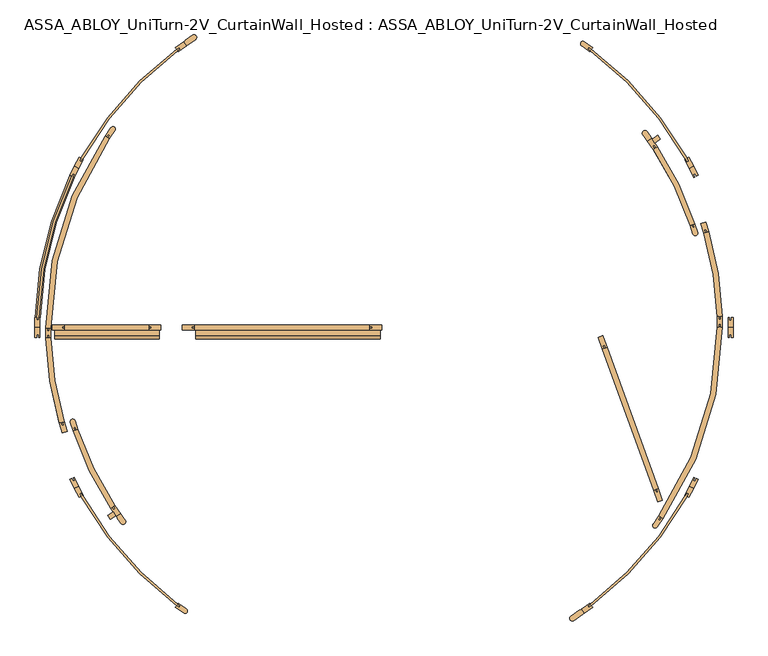
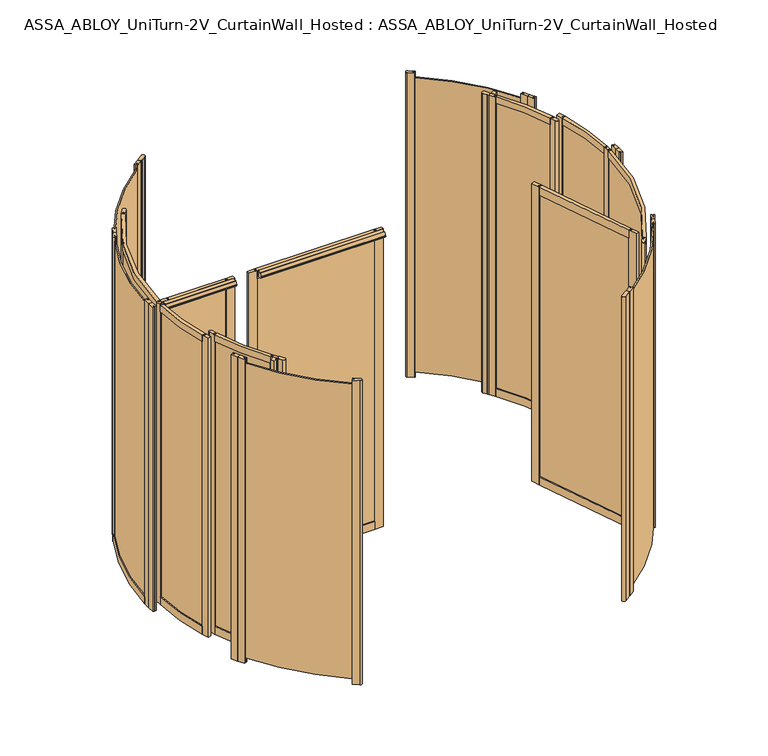
"""IFC4 building model written with IfcOpenShell, lengths in millimetres: door geometry, ASSA_ABLOY_UniTurn-2V_CurtainWall_Hosted : ASSA_ABLOY_UniTurn-2V_CurtainWall_Hosted."""

from ifc_helpers import new_model, si_unit, point, frame, frame_2d, origin, origin_with_axes, origin_2d, place, context, project, spatial, polyline, circle_curve, trimmed, segment, composite_curve, outline, extrude, source, transform, mapped, element, save
from ifc_brep_helpers import plane_surface, cylinder_surface, revolved_surface, advanced_brep


def assa_abloy_uniturn_2v_curtainwall_hosted_assa_abloy_uniturn_3d827009(model_context):
    return source(origin(), model_context, "Body", "SolidModel", [
        advanced_brep(
        [(-1825.2306704, 53.0, 56.0), (-1825.2306704, 53.0, 0.0), (-1799.2416247, 52.245345, 0.0), (-1799.2416247, 52.245345, 56.0), (-1804.2395181, 52.390471, 56.0), (-1804.2395181, 52.390471, 41.0), (-1814.2353049, 52.6807229, 41.0), (-1814.2353049, 52.6807229, 56.0), (-1643.4720542, 795.7861567, 56.0), (-1633.5716201, 790.9922642, 56.0), (-1633.5716201, 790.9922642, 41.0), (-1624.5712255, 786.6341801, 41.0), (-1624.5712255, 786.6341801, 56.0), (-1620.0710282, 784.4551381, 56.0), (-1620.0710282, 784.4551381, 0.0), (-1643.4720542, 795.7861567, 0.0)],
        [
            (0, 1),
            (1, 2),
            (2, 3),
            (3, 4),
            (4, 5),
            (5, 6),
            (6, 7),
            (7, 0),
            (8, 9),
            (9, 10),
            (10, 11),
            (11, 12),
            (12, 13),
            (13, 14),
            (14, 15),
            (15, 8),
            (15, 1, circle_curve(frame((0.0, 0.0, 0.0), z_axis=(0.0, 0.0, 1.0), x_axis=(-0.9995786803689732, 0.029025191675892625, 0.0)), 1826.0)),
            (0, 8, circle_curve(frame((0.0, 0.0, 56.0), z_axis=(0.0, 0.0, -1.0), x_axis=(-0.9995786803689732, 0.029025191675892625, 0.0)), 1826.0)),
            (14, 2, circle_curve(frame((0.0, 0.0, 0.0), z_axis=(0.0, 0.0, 1.0), x_axis=(-0.9995786803689732, 0.029025191675892625, 0.0)), 1800.0)),
            (13, 3, circle_curve(frame((0.0, 0.0, 56.0), z_axis=(0.0, 0.0, 1.0), x_axis=(-0.9995786803689732, 0.029025191675892625, 0.0)), 1800.0)),
            (12, 4, circle_curve(frame((0.0, 0.0, 56.0), z_axis=(0.0, 0.0, 1.0), x_axis=(-0.9995786803689732, 0.029025191675892625, 0.0)), 1805.0)),
            (11, 5, circle_curve(frame((0.0, 0.0, 41.0), z_axis=(0.0, 0.0, 1.0), x_axis=(-0.9995786803689732, 0.029025191675892625, 0.0)), 1805.0)),
            (10, 6, circle_curve(frame((0.0, 0.0, 41.0), z_axis=(0.0, 0.0, 1.0), x_axis=(-0.9995786803689732, 0.029025191675892625, 0.0)), 1815.0)),
            (9, 7, circle_curve(frame((0.0, 0.0, 56.0), z_axis=(0.0, 0.0, 1.0), x_axis=(-0.9995786803689732, 0.029025191675892625, 0.0)), 1815.0)),
        ],
        [
            plane_surface(frame((-1825.2306704, 53.0, 0.0), z_axis=(-0.02902519167589263, -0.9995786803689732, 0.0), x_axis=(0.0, 0.0, 1.0))),
            plane_surface(frame((-1643.4720542, 795.7861567, 0.0), z_axis=(0.43580841002827103, 0.9000394601064059, 0.0), x_axis=(0.0, 0.0, 1.0))),
            cylinder_surface(frame((0.0, 0.0, 0.0), z_axis=(0.0, 0.0, -1.0000000000000002), x_axis=(-0.9995786803689732, 0.029025191675892625, 0.0)), 1826.0),
            plane_surface(frame((0.0, 0.0, 0.0), z_axis=(0.0, 0.0, -1.0000000000000002), x_axis=(-0.9995786803689732, 0.029025191675892625, 0.0))),
            revolved_surface(polyline([(-1799.241624664152, 52.24534501660673, 0.0), (-1799.241624664152, 52.24534501660673, 56.00000000000003)]), (0.0, 0.0, 0.0), (0.0, 0.0, -1.0000000000000002)),
            plane_surface(frame((0.0, 0.0, 56.0), z_axis=(0.0, 0.0, 1.0000000000000002), x_axis=(-0.9995786803689732, 0.029025191675892625, 0.0))),
            cylinder_surface(frame((0.0, 0.0, 0.0), z_axis=(0.0, 0.0, -1.0000000000000002), x_axis=(-0.9995786803689732, 0.029025191675892625, 0.0)), 1805.0),
            plane_surface(frame((0.0, 0.0, 41.0), z_axis=(0.0, 0.0, 1.0000000000000002), x_axis=(-0.9995786803689732, 0.029025191675892625, 0.0))),
            revolved_surface(polyline([(-1814.2353048696864, 52.68072289174511, 41.000000000000014), (-1814.2353048696864, 52.68072289174511, 56.00000000000003)]), (0.0, 0.0, 0.0), (0.0, 0.0, -1.0000000000000002)),
        ],
        [
            (0, [[1, 2, 3, 4, 5, 6, 7, 8]]),
            (1, [[9, 10, 11, 12, 13, 14, 15, 16]]),
            (2, [[17, -1, 18, -16]]),
            (3, [[19, -2, -17, -15]]),
            (4, [[20, -3, -19, -14]]),
            (5, [[21, -4, -20, -13]]),
            (6, [[22, -5, -21, -12]]),
            (7, [[23, -6, -22, -11]]),
            (8, [[24, -7, -23, -10]]),
            (5, [[-18, -8, -24, -9]]),
        ],
    ),
        extrude(outline(composite_curve([segment(polyline([(-1032.4375854, 1474.4736797), (-1047.3505728, 1495.7716329), (-1038.9952219, 1501.6221125), (-1039.5687984, 1502.4412646), (-1002.0516347, 1528.7110654)]), True, "CONTINUOUS"), segment(trimmed(circle_curve(frame_2d((-994.0215646, 1517.2429367)), 14.0), [point((-1002.0516347, 1528.7110654))], [point((-985.9914945, 1505.7748081))], False, "CARTESIAN"), True, "CONTINUOUS"), segment(polyline([(-985.9914945, 1505.7748081), (-1023.5086581, 1479.5050073), (-1024.0822346, 1480.3241594), (-1032.4375854, 1474.4736797)]), True, "CONTINUOUS")], self_intersect=False)), origin_with_axes(), (0.0, 0.0, 1.0), 2500.0),
        extrude(outline(composite_curve([segment(polyline([(1047.3505728, -1495.7716329), (1038.9952219, -1501.6221125), (1039.5687984, -1502.4412646), (993.6962839, -1534.561545)]), True, "CONTINUOUS"), segment(trimmed(circle_curve(frame_2d((985.6662138, -1523.0934164)), 14.0), [point((993.6962839, -1534.561545))], [point((977.6361437, -1511.6252878))], False, "CARTESIAN"), True, "CONTINUOUS"), segment(polyline([(977.6361437, -1511.6252878), (1023.5086581, -1479.5050073), (1024.0822346, -1480.3241594), (1032.4375854, -1474.4736797), (1047.3505728, -1495.7716329)]), True, "CONTINUOUS")], self_intersect=False)), origin_with_axes(), (0.0, 0.0, 1.0), 2500.0),
        extrude(outline(composite_curve([segment(polyline([(1576.7592796, -880.5601708), (1584.1472574, -866.3679974), (1593.0173657, -870.9854836), (1585.6293879, -885.1776569)]), True, "CONTINUOUS"), segment(trimmed(circle_curve(origin_2d(), 1815.9735791), [point((1585.6293879, -885.1776569))], [point((1084.5710056, -1456.5252397))], False, "CARTESIAN"), True, "CONTINUOUS"), segment(polyline([(1084.5710056, -1456.5252397), (1071.4645729, -1465.7024626), (1065.7288085, -1457.5109422), (1078.8352412, -1448.3337192)]), True, "CONTINUOUS"), segment(trimmed(circle_curve(origin_2d(), 1805.9778625), [point((1078.8352412, -1448.3337192))], [point((1576.7592796, -880.5601708))], True, "CARTESIAN"), True, "CONTINUOUS")], self_intersect=False)), frame((0.0, 0.0, 41.0), z_axis=(0.0, 0.0, 1.0), x_axis=(1.0, 0.0, 0.0)), (0.0, 0.0, 1.0), 2421.0),
        extrude(outline(composite_curve([segment(trimmed(circle_curve(origin_2d(), 1815.9651017), [point((1084.3324154, 1456.6923023))], [point((1585.763879, 884.9193018))], False, "CARTESIAN"), True, "CONTINUOUS"), segment(polyline([(1585.763879, 884.9193018), (1593.0173657, 870.9854836), (1584.1472574, 866.3679974), (1576.7592796, 880.5601708)]), True, "CONTINUOUS"), segment(trimmed(circle_curve(origin_2d(), 1805.9778625), [point((1576.7592796, 880.5601708))], [point((1078.8352412, 1448.3337192))], True, "CARTESIAN"), True, "CONTINUOUS"), segment(polyline([(1078.8352412, 1448.3337192), (1065.7288085, 1457.5109422), (1071.4645729, 1465.7024626), (1084.3324154, 1456.6923023)]), True, "CONTINUOUS")], self_intersect=False)), frame((0.0, 0.0, 41.0), z_axis=(0.0, 0.0, 1.0), x_axis=(1.0, 0.0, 0.0)), (0.0, 0.0, 1.0), 2421.0),
        extrude(outline(polyline([(1047.3505728, -1495.7716329), (1032.4375854, -1474.4736797), (1075.8526438, -1444.0741286), (1078.8352412, -1448.3337192), (1065.7288085, -1457.5109422), (1071.4645729, -1465.7024626), (1084.5710056, -1456.5252397), (1090.7656311, -1465.3720817), (1047.3505728, -1495.7716329)])), origin_with_axes(), (0.0, 0.0, 1.0), 2500.0),
        extrude(outline(polyline([(1619.6817814, -843.1529678), (1595.2091049, -890.1645419), (1585.6293879, -885.1776569), (1593.0173657, -870.9854836), (1584.1472574, -866.3679974), (1576.7592796, -880.5601708), (1572.1468232, -878.159078), (1596.6194997, -831.1475038), (1619.6817814, -843.1529678)])), origin_with_axes(), (0.0, 0.0, 1.0), 2500.0),
        extrude(outline(polyline([(1619.6817814, -843.1529678), (1596.6194997, -831.1475038), (1621.0921762, -784.1359297), (1625.7046326, -786.5370225), (1618.3166547, -800.7291958), (1627.1867631, -805.3466819), (1634.5747409, -791.1545086), (1644.1544579, -796.1413936), (1619.6817814, -843.1529678)])), origin_with_axes(), (0.0, 0.0, 1.0), 2500.0),
        extrude(outline(composite_curve([segment(polyline([(1090.7656311, 1465.3720817), (1084.5710056, 1456.5252397), (1071.4645729, 1465.7024626), (1065.7288085, 1457.5109422), (1078.8352412, 1448.3337192), (1075.8526438, 1444.0741286), (1033.4205679, 1473.785388)]), True, "CONTINUOUS"), segment(trimmed(circle_curve(frame_2d((1040.8770616, 1484.4343646)), 13.0), [point((1033.4205679, 1473.785388))], [point((1048.3335552, 1495.0833411))], False, "CARTESIAN"), True, "CONTINUOUS"), segment(polyline([(1048.3335552, 1495.0833411), (1090.7656311, 1465.3720817)]), True, "CONTINUOUS")], self_intersect=False)), origin_with_axes(), (0.0, 0.0, 1.0), 2500.0),
        extrude(outline(polyline([(1619.6817814, 843.1529678), (1644.1544579, 796.1413936), (1634.5747409, 791.1545086), (1627.1867631, 805.3466819), (1618.3166547, 800.7291958), (1625.7046326, 786.5370225), (1621.0921762, 784.1359297), (1596.6194997, 831.1475038), (1619.6817814, 843.1529678)])), origin_with_axes(), (0.0, 0.0, 1.0), 2500.0),
        extrude(outline(polyline([(1619.6817814, 843.1529678), (1596.6194997, 831.1475038), (1572.1468232, 878.159078), (1576.7592796, 880.5601708), (1584.1472574, 866.3679974), (1593.0173657, 870.9854836), (1585.6293879, 885.1776569), (1595.2091049, 890.1645419), (1619.6817814, 843.1529678)])), origin_with_axes(), (0.0, 0.0, 1.0), 2500.0),
        extrude(outline(polyline([(1826.0, 0.0), (1826.0, -53.0), (1815.2, -53.0), (1815.2, -37.0), (1805.2, -37.0), (1805.2, -53.0), (1800.0, -53.0), (1800.0, 0.0), (1826.0, 0.0)])), origin_with_axes(), (0.0, 0.0, 1.0), 2500.0),
        extrude(outline(polyline([(1826.0, 0.0), (1800.0, 0.0), (1800.0, 53.0), (1805.2, 53.0), (1805.2, 37.0), (1815.2, 37.0), (1815.2, 53.0), (1826.0, 53.0), (1826.0, 0.0)])), origin_with_axes(), (0.0, 0.0, 1.0), 2500.0),
        extrude(outline(composite_curve([segment(polyline([(-1078.8352412, -1448.3337192), (-1066.5479606, -1456.9373658), (-1072.2837249, -1465.1288862), (-1084.5710056, -1456.5252397)]), True, "CONTINUOUS"), segment(trimmed(circle_curve(origin_2d(), 1815.9735791), [point((-1084.5710056, -1456.5252397))], [point((-1585.6293879, -885.1776569))], False, "CARTESIAN"), True, "CONTINUOUS"), segment(polyline([(-1585.6293879, -885.1776569), (-1592.5556171, -871.8724944), (-1583.6855088, -867.2550083), (-1576.7592795, -880.5601708)]), True, "CONTINUOUS"), segment(trimmed(circle_curve(origin_2d(), 1805.9778625), [point((-1576.7592795, -880.5601708))], [point((-1078.8352412, -1448.3337192))], True, "CARTESIAN"), True, "CONTINUOUS")], self_intersect=False)), frame((0.0, 0.0, 41.0), z_axis=(0.0, 0.0, 1.0), x_axis=(1.0, 0.0, 0.0)), (0.0, 0.0, 1.0), 2421.0),
        extrude(outline(composite_curve([segment(trimmed(circle_curve(origin_2d(), 1805.9778625), [point((-1078.8352412, 1448.3337192))], [point((-1576.7592796, 880.5601708))], True, "CARTESIAN"), True, "CONTINUOUS"), segment(polyline([(-1576.7592796, 880.5601708), (-1583.6855088, 867.2550083), (-1592.5556171, 871.8724944), (-1585.6293879, 885.1776569)]), True, "CONTINUOUS"), segment(trimmed(circle_curve(origin_2d(), 1815.9735791), [point((-1585.6293879, 885.1776569))], [point((-1084.5710056, 1456.5252397))], False, "CARTESIAN"), True, "CONTINUOUS"), segment(polyline([(-1084.5710056, 1456.5252397), (-1072.2837249, 1465.1288862), (-1066.5479606, 1456.9373658), (-1078.8352412, 1448.3337192)]), True, "CONTINUOUS")], self_intersect=False)), frame((0.0, 0.0, 41.0), z_axis=(0.0, 0.0, 1.0), x_axis=(1.0, 0.0, 0.0)), (0.0, 0.0, 1.0), 2421.0),
        extrude(outline(composite_curve([segment(trimmed(circle_curve(origin_2d(), 1805.9778625), [point((-1625.7046326, 786.5370225))], [point((-1805.2, 53.0))], True, "CARTESIAN"), True, "CONTINUOUS"), segment(polyline([(-1805.2, 53.0), (-1805.2, 38.0), (-1815.2, 38.0), (-1815.2, 53.0)]), True, "CONTINUOUS"), segment(trimmed(circle_curve(origin_2d(), 1815.9735791), [point((-1815.2, 53.0))], [point((-1634.5747409, 791.1545086))], False, "CARTESIAN"), True, "CONTINUOUS"), segment(polyline([(-1634.5747409, 791.1545086), (-1627.6485117, 804.4596711), (-1618.7784034, 799.842185), (-1625.7046326, 786.5370225)]), True, "CONTINUOUS")], self_intersect=False)), frame((0.0, 0.0, 41.0), z_axis=(0.0, 0.0, 1.0), x_axis=(1.0, 0.0, 0.0)), (0.0, 0.0, 1.0), 2421.0),
        extrude(outline(polyline([(-1619.6773084, -843.1615602), (-1596.6150268, -831.1560963), (-1572.1468232, -878.159078), (-1576.7592796, -880.5601708), (-1583.6855088, -867.2550083), (-1592.5556171, -871.8724944), (-1585.6293879, -885.1776569), (-1595.2091049, -890.1645419), (-1619.6773084, -843.1615602)])), origin_with_axes(), (0.0, 0.0, 1.0), 2500.0),
        extrude(outline(polyline([(-1619.6817814, -843.1529678), (-1644.1544579, -796.1413936), (-1634.5747409, -791.1545086), (-1627.6485117, -804.4596711), (-1618.7784034, -799.842185), (-1625.7046326, -786.5370225), (-1621.0921762, -784.1359297), (-1596.6194997, -831.1475038), (-1619.6817814, -843.1529678)])), origin_with_axes(), (0.0, 0.0, 1.0), 2500.0),
        extrude(outline(composite_curve([segment(polyline([(-1090.7656311, -1465.3720817), (-1084.5710056, -1456.5252397), (-1072.2837249, -1465.1288862), (-1066.5479606, -1456.9373658), (-1078.8352412, -1448.3337192), (-1075.8526438, -1444.0741286), (-1033.4205679, -1473.785388)]), True, "CONTINUOUS"), segment(trimmed(circle_curve(frame_2d((-1040.8770616, -1484.4343646)), 13.0), [point((-1033.4205679, -1473.785388))], [point((-1048.3335552, -1495.0833411))], False, "CARTESIAN"), True, "CONTINUOUS"), segment(polyline([(-1048.3335552, -1495.0833411), (-1090.7656311, -1465.3720817)]), True, "CONTINUOUS")], self_intersect=False)), origin_with_axes(), (0.0, 0.0, 1.0), 2500.0),
        extrude(outline(polyline([(-1047.3505728, 1495.7716329), (-1032.4375854, 1474.4736797), (-1075.8526438, 1444.0741286), (-1078.8352412, 1448.3337192), (-1066.5479606, 1456.9373658), (-1072.2837249, 1465.1288862), (-1084.5710056, 1456.5252397), (-1090.7656311, 1465.3720817), (-1047.3505728, 1495.7716329)])), origin_with_axes(), (0.0, 0.0, 1.0), 2500.0),
        extrude(outline(polyline([(-1619.6817814, 843.1529678), (-1596.6194997, 831.1475038), (-1621.0921762, 784.1359297), (-1625.7046326, 786.5370225), (-1618.7784034, 799.842185), (-1627.6485117, 804.4596711), (-1634.5747409, 791.1545086), (-1644.1544579, 796.1413936), (-1619.6817814, 843.1529678)])), origin_with_axes(), (0.0, 0.0, 1.0), 2500.0),
        extrude(outline(polyline([(-1619.6817814, 843.1529678), (-1595.2091049, 890.1645419), (-1585.6293879, 885.1776569), (-1592.5556171, 871.8724944), (-1583.6855088, 867.2550083), (-1576.7592796, 880.5601708), (-1572.1468232, 878.159078), (-1596.6194997, 831.1475038), (-1619.6817814, 843.1529678)])), origin_with_axes(), (0.0, 0.0, 1.0), 2500.0),
        extrude(outline(polyline([(-1826.0, 0.0), (-1800.0, 0.0), (-1800.0, -53.0), (-1805.2, -53.0), (-1805.2, -38.0), (-1815.2, -38.0), (-1815.2, -53.0), (-1826.0, -53.0), (-1826.0, 0.0)])), origin_with_axes(), (0.0, 0.0, 1.0), 2500.0),
        extrude(outline(polyline([(-1825.8261964, 0.0), (-1825.8261964, 53.0), (-1815.2, 53.0), (-1815.2, 38.0), (-1805.2, 38.0), (-1805.2, 53.0), (-1800.0, 53.0), (-1800.0, 0.0), (-1825.8261964, 0.0)])), origin_with_axes(), (0.0, 0.0, 1.0), 2500.0),
        extrude(outline(composite_curve([segment(trimmed(circle_curve(origin_2d(), 1770.0), [point((-1769.997187, -3.1556429))], [point((-1458.8407002, 1002.3391699))], False, "CARTESIAN"), True, "CONTINUOUS"), segment(polyline([(-1458.8407002, 1002.3391699), (-1437.4114018, 987.6155436)]), True, "CONTINUOUS"), segment(trimmed(circle_curve(origin_2d(), 1744.0), [point((-1437.4114018, 987.6155436))], [point((-1743.9972283, -3.1092888))], True, "CARTESIAN"), True, "CONTINUOUS"), segment(polyline([(-1743.9972283, -3.1092888), (-1769.997187, -3.1556429)]), True, "CONTINUOUS")], self_intersect=False)), frame((0.0, 0.0, 2447.0), z_axis=(0.0, 0.0, 1.0), x_axis=(1.0, 0.0, 0.0)), (0.0, 0.0, 1.0), 53.0),
        extrude(outline(composite_curve([segment(trimmed(circle_curve(origin_2d(), 1770.0), [point((-1697.6176373, -500.9933707))], [point((-1769.109205, -56.1482036))], False, "CARTESIAN"), True, "CONTINUOUS"), segment(polyline([(-1769.109205, -56.1482036), (-1743.1222901, -55.3234277)]), True, "CONTINUOUS"), segment(trimmed(circle_curve(origin_2d(), 1744.0), [point((-1743.1222901, -55.3234277))], [point((-1672.6808811, -493.634146))], True, "CARTESIAN"), True, "CONTINUOUS"), segment(polyline([(-1672.6808811, -493.634146), (-1697.6176373, -500.9933707)]), True, "CONTINUOUS")], self_intersect=False)), frame((0.0, 0.0, 2447.0), z_axis=(0.0, 0.0, 1.0), x_axis=(1.0, 0.0, 0.0)), (0.0, 0.0, 1.0), 53.0),
        extrude(outline(composite_curve([segment(trimmed(circle_curve(origin_2d(), 1714.18), [point((-1429.3608285, -946.2244419))], [point((-1626.3005929, -541.8112716))], False, "CARTESIAN"), True, "CONTINUOUS"), segment(polyline([(-1626.3005929, -541.8112716), (-1601.6335127, -533.5932939)]), True, "CONTINUOUS"), segment(trimmed(circle_curve(origin_2d(), 1688.18), [point((-1601.6335127, -533.5932939))], [point((-1407.6808523, -931.8724861))], True, "CARTESIAN"), True, "CONTINUOUS"), segment(polyline([(-1407.6808523, -931.8724861), (-1429.3608285, -946.2244419)]), True, "CONTINUOUS")], self_intersect=False)), frame((0.0, 0.0, 2447.0), z_axis=(0.0, 0.0, 1.0), x_axis=(1.0, 0.0, 0.0)), (0.0, 0.0, 1.0), 53.0),
        extrude(outline(polyline([(-1402.2698299, -985.8486568), (-1431.1522531, -1005.6174613), (-1445.8376507, -984.161947), (-1416.9552275, -964.3931425), (-1402.2698299, -985.8486568)])), frame((0.0, 0.0, 40.0), z_axis=(0.0, 0.0, 1.0), x_axis=(1.0, 0.0, 0.0)), (0.0, 0.0, 1.0), 2460.0),
        extrude(outline(composite_curve([segment(polyline([(-1377.9902006, -975.2893197), (-1372.2835329, -983.6268189), (-1371.4583208, -983.0619959), (-1353.2729762, -1009.6309681)]), True, "CONTINUOUS"), segment(trimmed(circle_curve(frame_2d((-1365.4124924, -1016.6815389)), 14.0384615), [point((-1353.2729762, -1009.6309681))], [point((-1376.3789148, -1025.4460117))], False, "CARTESIAN"), True, "CONTINUOUS"), segment(polyline([(-1376.3789148, -1025.4460117), (-1394.5662149, -998.8741824), (-1393.7410028, -998.3093594), (-1399.445715, -989.9747173), (-1377.9902006, -975.2893197)]), True, "CONTINUOUS")], self_intersect=False)), frame((0.0, 0.0, 40.0), z_axis=(0.0, 0.0, 1.0), x_axis=(1.0, 0.0, 0.0)), (0.0, 0.0, 1.0), 2460.0),
        extrude(outline(polyline([(-1399.445715, -989.9747173), (-1429.3813332, -946.2384765), (-1422.7796364, -941.7198926), (-1414.3072917, -954.098074), (-1406.0551708, -948.4498441), (-1414.5275155, -936.0716627), (-1407.9258188, -931.5530789), (-1377.9902006, -975.2893197), (-1399.445715, -989.9747173)])), frame((0.0, 0.0, 40.0), z_axis=(0.0, 0.0, 1.0), x_axis=(1.0, 0.0, 0.0)), (0.0, 0.0, 1.0), 2460.0),
        extrude(outline(composite_curve([segment(polyline([(-1626.3242854, -541.81876), (-1640.4887481, -497.0039411)]), True, "CONTINUOUS"), segment(trimmed(circle_curve(frame_2d((-1628.0931599, -493.086111)), 13.0), [point((-1640.4887481, -497.0039411))], [point((-1615.6975716, -489.1682809))], False, "CARTESIAN"), True, "CONTINUOUS"), segment(polyline([(-1615.6975716, -489.1682809), (-1601.533109, -533.9830998), (-1609.1611632, -536.3940722), (-1613.6817364, -522.0914704), (-1623.2168043, -525.1051859), (-1618.6962311, -539.4077877), (-1626.3242854, -541.81876)]), True, "CONTINUOUS")], self_intersect=False)), frame((0.0, 0.0, 40.0), z_axis=(0.0, 0.0, 1.0), x_axis=(1.0, 0.0, 0.0)), (0.0, 0.0, 1.0), 2460.0),
        extrude(outline(polyline([(-1697.6415731, -501.0008258), (-1690.0034867, -498.6218268), (-1685.5428636, -512.9432388), (-1675.9952556, -509.9694901), (-1680.4558787, -495.6480781), (-1672.8177923, -493.2690791), (-1657.056924, -543.8714015), (-1681.8807048, -551.6031482), (-1697.6415731, -501.0008258)])), frame((0.0, 0.0, 40.0), z_axis=(0.0, 0.0, 1.0), x_axis=(1.0, 0.0, 0.0)), (0.0, 0.0, 1.0), 2460.0),
        extrude(outline(composite_curve([segment(polyline([(-1458.8611481, 1002.3536746), (-1428.7755279, 1044.7665907)]), True, "CONTINUOUS"), segment(trimmed(circle_curve(frame_2d((-1418.1722989, 1037.2451857)), 13.0), [point((-1428.7755279, 1044.7665907))], [point((-1407.5690698, 1029.7237807))], False, "CARTESIAN"), True, "CONTINUOUS"), segment(polyline([(-1407.5690698, 1029.7237807), (-1437.65469, 987.3108645), (-1444.179754, 991.9394214), (-1435.5012097, 1004.1739165), (-1443.6575398, 1009.9596127), (-1452.336084, 997.7251176), (-1458.8611481, 1002.3536746)]), True, "CONTINUOUS")], self_intersect=False)), frame((0.0, 0.0, 40.0), z_axis=(0.0, 0.0, 1.0), x_axis=(1.0, 0.0, 0.0)), (0.0, 0.0, 1.0), 2460.0),
        extrude(outline(polyline([(-1769.1342714, -56.1486236), (-1770.0222534, -3.1560629), (-1762.0233763, -3.0220279), (-1761.7720607, -18.0199224), (-1751.7734643, -17.8523786), (-1752.02478, -2.8544841), (-1744.0259029, -2.7204491), (-1743.1379209, -55.7130098), (-1751.136798, -55.8470448), (-1751.3881136, -40.8491503), (-1761.38671, -41.016694), (-1761.1353943, -56.0145886), (-1769.1342714, -56.1486236)])), frame((0.0, 0.0, 40.0), z_axis=(0.0, 0.0, 1.0), x_axis=(1.0, 0.0, 0.0)), (0.0, 0.0, 1.0), 2460.0),
        extrude(outline(composite_curve([segment(trimmed(circle_curve(origin_2d(), 1706.18), [point((-1414.3938312, -954.2223444))], [point((-1623.3679996, -525.0966867))], False, "CARTESIAN"), True, "CONTINUOUS"), segment(polyline([(-1623.3679996, -525.0966867), (-1613.8533645, -522.0190707)]), True, "CONTINUOUS"), segment(trimmed(circle_curve(origin_2d(), 1696.18), [point((-1613.8533645, -522.0190707))], [point((-1406.1040035, -948.6296031))], True, "CARTESIAN"), True, "CONTINUOUS"), segment(polyline([(-1406.1040035, -948.6296031), (-1414.3938312, -954.2223444)]), True, "CONTINUOUS")], self_intersect=False)), frame((0.0, 0.0, 105.0), z_axis=(0.0, 0.0, 1.0), x_axis=(1.0, 0.0, 0.0)), (0.0, 0.0, 1.0), 2342.0),
        extrude(outline(composite_curve([segment(trimmed(circle_curve(origin_2d(), 1762.0), [point((-1685.6573752, -513.0333455))], [point((-1761.5236883, -40.9670046))], False, "CARTESIAN"), True, "CONTINUOUS"), segment(polyline([(-1761.5236883, -40.9670046), (-1751.5263916, -40.7345018)]), True, "CONTINUOUS"), segment(trimmed(circle_curve(origin_2d(), 1752.0), [point((-1751.5263916, -40.7345018))], [point((-1676.0906477, -510.121692))], True, "CARTESIAN"), True, "CONTINUOUS"), segment(polyline([(-1676.0906477, -510.121692), (-1685.6573752, -513.0333455)]), True, "CONTINUOUS")], self_intersect=False)), frame((0.0, 0.0, 105.0), z_axis=(0.0, 0.0, 1.0), x_axis=(1.0, 0.0, 0.0)), (0.0, 0.0, 1.0), 2342.0),
        extrude(outline(composite_curve([segment(trimmed(circle_curve(origin_2d(), 1762.0), [point((-1761.9072973, -18.0741732))], [point((-1443.7384966, 1010.0807659))], False, "CARTESIAN"), True, "CONTINUOUS"), segment(polyline([(-1443.7384966, 1010.0807659), (-1435.544748, 1004.3481849)]), True, "CONTINUOUS"), segment(trimmed(circle_curve(origin_2d(), 1752.0), [point((-1435.544748, 1004.3481849))], [point((-1751.9078234, -17.9715956))], True, "CARTESIAN"), True, "CONTINUOUS"), segment(polyline([(-1751.9078234, -17.9715956), (-1761.9072973, -18.0741732)]), True, "CONTINUOUS")], self_intersect=False)), frame((0.0, 0.0, 105.0), z_axis=(0.0, 0.0, 1.0), x_axis=(1.0, 0.0, 0.0)), (0.0, 0.0, 1.0), 2342.0),
        extrude(outline(composite_curve([segment(trimmed(circle_curve(origin_2d(), 1770.0), [point((-1769.997187, -3.1556429))], [point((-1458.8407002, 1002.3391699))], False, "CARTESIAN"), True, "CONTINUOUS"), segment(polyline([(-1458.8407002, 1002.3391699), (-1437.4114018, 987.6155436)]), True, "CONTINUOUS"), segment(trimmed(circle_curve(origin_2d(), 1744.0), [point((-1437.4114018, 987.6155436))], [point((-1743.9972283, -3.1092888))], True, "CARTESIAN"), True, "CONTINUOUS"), segment(polyline([(-1743.9972283, -3.1092888), (-1769.997187, -3.1556429)]), True, "CONTINUOUS")], self_intersect=False)), frame((0.0, 0.0, 40.0), z_axis=(0.0, 0.0, 1.0), x_axis=(1.0, 0.0, 0.0)), (0.0, 0.0, 1.0), 65.0),
        extrude(outline(composite_curve([segment(trimmed(circle_curve(origin_2d(), 1770.0), [point((-1697.6176373, -500.9933707))], [point((-1769.109205, -56.1482036))], False, "CARTESIAN"), True, "CONTINUOUS"), segment(polyline([(-1769.109205, -56.1482036), (-1743.1222901, -55.3234277)]), True, "CONTINUOUS"), segment(trimmed(circle_curve(origin_2d(), 1744.0), [point((-1743.1222901, -55.3234277))], [point((-1672.6808811, -493.634146))], True, "CARTESIAN"), True, "CONTINUOUS"), segment(polyline([(-1672.6808811, -493.634146), (-1697.6176373, -500.9933707)]), True, "CONTINUOUS")], self_intersect=False)), frame((0.0, 0.0, 40.0), z_axis=(0.0, 0.0, 1.0), x_axis=(1.0, 0.0, 0.0)), (0.0, 0.0, 1.0), 65.0),
        extrude(outline(composite_curve([segment(trimmed(circle_curve(origin_2d(), 1714.2740759), [point((-1429.4384703, -946.2775845))], [point((-1626.3903056, -541.8396268))], False, "CARTESIAN"), True, "CONTINUOUS"), segment(polyline([(-1626.3903056, -541.8396268), (-1601.7232185, -533.62167)]), True, "CONTINUOUS"), segment(trimmed(circle_curve(origin_2d(), 1688.2740759), [point((-1601.7232185, -533.62167))], [point((-1407.7585064, -931.9256103))], True, "CARTESIAN"), True, "CONTINUOUS"), segment(polyline([(-1407.7585064, -931.9256103), (-1429.4384703, -946.2775845)]), True, "CONTINUOUS")], self_intersect=False)), frame((0.0, 0.0, 40.0), z_axis=(0.0, 0.0, 1.0), x_axis=(1.0, 0.0, 0.0)), (0.0, 0.0, 1.0), 65.0),
        extrude(outline(polyline([(1402.2698299, 985.8486568), (1431.1522531, 1005.6174613), (1445.8376507, 984.161947), (1416.9552275, 964.3931425), (1402.2698299, 985.8486568)])), frame((0.0, 0.0, 40.0), z_axis=(0.0, 0.0, 1.0), x_axis=(1.0, 0.0, 0.0)), (0.0, 0.0, 1.0), 2460.0),
        extrude(outline(composite_curve([segment(polyline([(1377.9902006, 975.2893197), (1372.2835329, 983.6268189), (1371.4583208, 983.0619959), (1353.2729762, 1009.6309681)]), True, "CONTINUOUS"), segment(trimmed(circle_curve(frame_2d((1365.4124924, 1016.6815389)), 14.0384615), [point((1353.2729762, 1009.6309681))], [point((1376.3789148, 1025.4460117))], False, "CARTESIAN"), True, "CONTINUOUS"), segment(polyline([(1376.3789148, 1025.4460117), (1394.5662149, 998.8741824), (1393.7410028, 998.3093594), (1399.445715, 989.9747173), (1377.9902006, 975.2893197)]), True, "CONTINUOUS")], self_intersect=False)), frame((0.0, 0.0, 40.0), z_axis=(0.0, 0.0, 1.0), x_axis=(1.0, 0.0, 0.0)), (0.0, 0.0, 1.0), 2460.0),
        extrude(outline(polyline([(1399.445715, 989.9747173), (1429.3813332, 946.2384765), (1422.7796364, 941.7198926), (1414.3072917, 954.098074), (1406.0551708, 948.4498441), (1414.5275155, 936.0716627), (1407.9258188, 931.5530789), (1377.9902006, 975.2893197), (1399.445715, 989.9747173)])), frame((0.0, 0.0, 40.0), z_axis=(0.0, 0.0, 1.0), x_axis=(1.0, 0.0, 0.0)), (0.0, 0.0, 1.0), 2460.0),
        extrude(outline(composite_curve([segment(polyline([(1626.3242854, 541.81876), (1640.4887481, 497.0039411)]), True, "CONTINUOUS"), segment(trimmed(circle_curve(frame_2d((1628.0931599, 493.086111)), 13.0), [point((1640.4887481, 497.0039411))], [point((1615.6975716, 489.1682809))], False, "CARTESIAN"), True, "CONTINUOUS"), segment(polyline([(1615.6975716, 489.1682809), (1601.533109, 533.9830998), (1609.1611632, 536.3940722), (1613.6817364, 522.0914704), (1623.2168043, 525.1051859), (1618.6962311, 539.4077877), (1626.3242854, 541.81876)]), True, "CONTINUOUS")], self_intersect=False)), frame((0.0, 0.0, 40.0), z_axis=(0.0, 0.0, 1.0), x_axis=(1.0, 0.0, 0.0)), (0.0, 0.0, 1.0), 2460.0),
        extrude(outline(polyline([(1697.6415731, 501.0008258), (1690.0034867, 498.6218268), (1685.5428636, 512.9432388), (1675.9952556, 509.9694901), (1680.4558787, 495.6480781), (1672.8177923, 493.2690791), (1657.056924, 543.8714015), (1681.8807048, 551.6031482), (1697.6415731, 501.0008258)])), frame((0.0, 0.0, 40.0), z_axis=(0.0, 0.0, 1.0), x_axis=(1.0, 0.0, 0.0)), (0.0, 0.0, 1.0), 2460.0),
        extrude(outline(composite_curve([segment(polyline([(1458.8611481, -1002.3536746), (1428.7755279, -1044.7665907)]), True, "CONTINUOUS"), segment(trimmed(circle_curve(frame_2d((1418.1722989, -1037.2451857)), 13.0), [point((1428.7755279, -1044.7665907))], [point((1407.5690698, -1029.7237807))], False, "CARTESIAN"), True, "CONTINUOUS"), segment(polyline([(1407.5690698, -1029.7237807), (1437.65469, -987.3108645), (1444.179754, -991.9394214), (1435.5012097, -1004.1739165), (1443.6575398, -1009.9596127), (1452.336084, -997.7251176), (1458.8611481, -1002.3536746)]), True, "CONTINUOUS")], self_intersect=False)), frame((0.0, 0.0, 40.0), z_axis=(0.0, 0.0, 1.0), x_axis=(1.0, 0.0, 0.0)), (0.0, 0.0, 1.0), 2460.0),
        extrude(outline(polyline([(1769.1342714, 56.1486236), (1770.0222534, 3.1560629), (1762.0233763, 3.0220279), (1761.7720607, 18.0199224), (1751.7734643, 17.8523786), (1752.02478, 2.8544841), (1744.0259029, 2.7204491), (1743.1379209, 55.7130098), (1751.136798, 55.8470448), (1751.3881136, 40.8491503), (1761.38671, 41.016694), (1761.1353943, 56.0145886), (1769.1342714, 56.1486236)])), frame((0.0, 0.0, 40.0), z_axis=(0.0, 0.0, 1.0), x_axis=(1.0, 0.0, 0.0)), (0.0, 0.0, 1.0), 2460.0),
        extrude(outline(composite_curve([segment(trimmed(circle_curve(origin_2d(), 1706.18), [point((1414.3938312, 954.2223444))], [point((1623.3679996, 525.0966867))], False, "CARTESIAN"), True, "CONTINUOUS"), segment(polyline([(1623.3679996, 525.0966867), (1613.8533645, 522.0190707)]), True, "CONTINUOUS"), segment(trimmed(circle_curve(origin_2d(), 1696.18), [point((1613.8533645, 522.0190707))], [point((1406.1040035, 948.6296031))], True, "CARTESIAN"), True, "CONTINUOUS"), segment(polyline([(1406.1040035, 948.6296031), (1414.3938312, 954.2223444)]), True, "CONTINUOUS")], self_intersect=False)), frame((0.0, 0.0, 105.0), z_axis=(0.0, 0.0, 1.0), x_axis=(1.0, 0.0, 0.0)), (0.0, 0.0, 1.0), 2342.0),
        extrude(outline(composite_curve([segment(trimmed(circle_curve(origin_2d(), 1762.0), [point((1685.6573752, 513.0333455))], [point((1761.5236883, 40.9670046))], False, "CARTESIAN"), True, "CONTINUOUS"), segment(polyline([(1761.5236883, 40.9670046), (1751.5263916, 40.7345018)]), True, "CONTINUOUS"), segment(trimmed(circle_curve(origin_2d(), 1752.0), [point((1751.5263916, 40.7345018))], [point((1676.0906477, 510.121692))], True, "CARTESIAN"), True, "CONTINUOUS"), segment(polyline([(1676.0906477, 510.121692), (1685.6573752, 513.0333455)]), True, "CONTINUOUS")], self_intersect=False)), frame((0.0, 0.0, 105.0), z_axis=(0.0, 0.0, 1.0), x_axis=(1.0, 0.0, 0.0)), (0.0, 0.0, 1.0), 2342.0),
        extrude(outline(composite_curve([segment(trimmed(circle_curve(origin_2d(), 1762.0), [point((1761.9072973, 18.0741732))], [point((1443.7384966, -1010.0807659))], False, "CARTESIAN"), True, "CONTINUOUS"), segment(polyline([(1443.7384966, -1010.0807659), (1435.544748, -1004.3481849)]), True, "CONTINUOUS"), segment(trimmed(circle_curve(origin_2d(), 1752.0), [point((1435.544748, -1004.3481849))], [point((1751.9078234, 17.9715956))], True, "CARTESIAN"), True, "CONTINUOUS"), segment(polyline([(1751.9078234, 17.9715956), (1761.9072973, 18.0741732)]), True, "CONTINUOUS")], self_intersect=False)), frame((0.0, 0.0, 105.0), z_axis=(0.0, 0.0, 1.0), x_axis=(1.0, 0.0, 0.0)), (0.0, 0.0, 1.0), 2342.0),
        extrude(outline(composite_curve([segment(trimmed(circle_curve(origin_2d(), 1770.0), [point((1769.997187, 3.1556429))], [point((1458.8407002, -1002.3391699))], False, "CARTESIAN"), True, "CONTINUOUS"), segment(polyline([(1458.8407002, -1002.3391699), (1437.4114018, -987.6155436)]), True, "CONTINUOUS"), segment(trimmed(circle_curve(origin_2d(), 1744.0), [point((1437.4114018, -987.6155436))], [point((1743.9972283, 3.1092888))], True, "CARTESIAN"), True, "CONTINUOUS"), segment(polyline([(1743.9972283, 3.1092888), (1769.997187, 3.1556429)]), True, "CONTINUOUS")], self_intersect=False)), frame((0.0, 0.0, 2447.0), z_axis=(0.0, 0.0, 1.0), x_axis=(1.0, 0.0, 0.0)), (0.0, 0.0, 1.0), 53.0),
        extrude(outline(composite_curve([segment(trimmed(circle_curve(origin_2d(), 1770.0), [point((1697.6176373, 500.9933707))], [point((1769.109205, 56.1482036))], False, "CARTESIAN"), True, "CONTINUOUS"), segment(polyline([(1769.109205, 56.1482036), (1743.1222901, 55.3234277)]), True, "CONTINUOUS"), segment(trimmed(circle_curve(origin_2d(), 1744.0), [point((1743.1222901, 55.3234277))], [point((1672.6808811, 493.634146))], True, "CARTESIAN"), True, "CONTINUOUS"), segment(polyline([(1672.6808811, 493.634146), (1697.6176373, 500.9933707)]), True, "CONTINUOUS")], self_intersect=False)), frame((0.0, 0.0, 2447.0), z_axis=(0.0, 0.0, 1.0), x_axis=(1.0, 0.0, 0.0)), (0.0, 0.0, 1.0), 53.0),
        extrude(outline(composite_curve([segment(trimmed(circle_curve(origin_2d(), 1714.18), [point((1429.3608285, 946.2244419))], [point((1626.3005929, 541.8112716))], False, "CARTESIAN"), True, "CONTINUOUS"), segment(polyline([(1626.3005929, 541.8112716), (1601.6335127, 533.5932939)]), True, "CONTINUOUS"), segment(trimmed(circle_curve(origin_2d(), 1688.18), [point((1601.6335127, 533.5932939))], [point((1407.6808523, 931.8724861))], True, "CARTESIAN"), True, "CONTINUOUS"), segment(polyline([(1407.6808523, 931.8724861), (1429.3608285, 946.2244419)]), True, "CONTINUOUS")], self_intersect=False)), frame((0.0, 0.0, 2447.0), z_axis=(0.0, 0.0, 1.0), x_axis=(1.0, 0.0, 0.0)), (0.0, 0.0, 1.0), 53.0),
        extrude(outline(composite_curve([segment(trimmed(circle_curve(origin_2d(), 1770.0), [point((1769.997187, 3.1556429))], [point((1458.8407002, -1002.3391699))], False, "CARTESIAN"), True, "CONTINUOUS"), segment(polyline([(1458.8407002, -1002.3391699), (1437.4114018, -987.6155436)]), True, "CONTINUOUS"), segment(trimmed(circle_curve(origin_2d(), 1744.0), [point((1437.4114018, -987.6155436))], [point((1743.9972283, 3.1092888))], True, "CARTESIAN"), True, "CONTINUOUS"), segment(polyline([(1743.9972283, 3.1092888), (1769.997187, 3.1556429)]), True, "CONTINUOUS")], self_intersect=False)), frame((0.0, 0.0, 40.0), z_axis=(0.0, 0.0, 1.0), x_axis=(1.0, 0.0, 0.0)), (0.0, 0.0, 1.0), 65.0),
        extrude(outline(composite_curve([segment(trimmed(circle_curve(origin_2d(), 1770.0), [point((1697.6176373, 500.9933707))], [point((1769.1632704, 54.4180359))], False, "CARTESIAN"), True, "CONTINUOUS"), segment(polyline([(1769.1632704, 54.4180359), (1743.1755614, 53.6186749)]), True, "CONTINUOUS"), segment(trimmed(circle_curve(origin_2d(), 1744.0), [point((1743.1755614, 53.6186749))], [point((1672.6808811, 493.634146))], True, "CARTESIAN"), True, "CONTINUOUS"), segment(polyline([(1672.6808811, 493.634146), (1697.6176373, 500.9933707)]), True, "CONTINUOUS")], self_intersect=False)), frame((0.0, 0.0, 40.0), z_axis=(0.0, 0.0, 1.0), x_axis=(1.0, 0.0, 0.0)), (0.0, 0.0, 1.0), 65.0),
        extrude(outline(composite_curve([segment(trimmed(circle_curve(origin_2d(), 1714.18), [point((1429.3608285, 946.2244419))], [point((1626.3005929, 541.8112716))], False, "CARTESIAN"), True, "CONTINUOUS"), segment(polyline([(1626.3005929, 541.8112716), (1601.6335127, 533.5932939)]), True, "CONTINUOUS"), segment(trimmed(circle_curve(origin_2d(), 1688.18), [point((1601.6335127, 533.5932939))], [point((1407.6808523, 931.8724861))], True, "CARTESIAN"), True, "CONTINUOUS"), segment(polyline([(1407.6808523, 931.8724861), (1429.3608285, 946.2244419)]), True, "CONTINUOUS")], self_intersect=False)), frame((0.0, 0.0, 40.0), z_axis=(0.0, 0.0, 1.0), x_axis=(1.0, 0.0, 0.0)), (0.0, 0.0, 1.0), 65.0),
        extrude(outline(polyline([(-1684.0, 5.0), (-1216.6, 5.0), (-1216.6, -5.0), (-1684.0, -5.0), (-1684.0, 5.0)])), frame((0.0, 0.0, 90.0), z_axis=(0.0, 0.0, 1.0), x_axis=(1.0, 0.0, 0.0)), (0.0, 0.0, 1.0), 2346.0),
        extrude(outline(polyline([(13.0, 2486.0), (13.0, 2421.0), (5.0, 2421.0), (5.0, 2436.0), (-5.0, 2436.0), (-5.0, 2421.0), (-13.0, 2421.0), (-13.0, 2486.0), (13.0, 2486.0)])), frame((-1669.0, 0.0, 0.0), z_axis=(1.0, 0.0, 0.0), x_axis=(0.0, 1.0, 0.0)), (0.0, 0.0, 1.0), 437.4),
        extrude(outline(polyline([(-13.0, 105.0), (-5.0, 105.0), (-5.0, 90.0), (5.0, 90.0), (5.0, 105.0), (13.0, 105.0), (13.0, 40.0), (-13.0, 40.0), (-13.0, 105.0)])), frame((-1669.0, 0.0, 0.0), z_axis=(1.0, 0.0, 0.0), x_axis=(0.0, 1.0, 0.0)), (0.0, 0.0, 1.0), 437.4),
        extrude(outline(polyline([(-1669.0, -13.0), (-1734.0, -13.0), (-1734.0, 13.0), (-1669.0, 13.0), (-1669.0, 5.0), (-1684.0, 5.0), (-1684.0, -5.0), (-1669.0, -5.0), (-1669.0, -13.0)])), frame((0.0, 0.0, 40.0), z_axis=(0.0, 0.0, 1.0), x_axis=(1.0, 0.0, 0.0)), (0.0, 0.0, 1.0), 2446.0),
        extrude(outline(polyline([(-1231.6, -13.0), (-1231.6, -5.0), (-1216.6, -5.0), (-1216.6, 5.0), (-1231.6, 5.0), (-1231.6, 13.0), (-1166.6, 13.0), (-1166.6, -13.0), (-1231.6, -13.0)])), frame((0.0, 0.0, 40.0), z_axis=(0.0, 0.0, 1.0), x_axis=(1.0, 0.0, 0.0)), (0.0, 0.0, 1.0), 2446.0),
        extrude(outline(polyline([(-13.0, 2486.0), (-13.0, 2437.8850542), (-15.9913329, 2437.8850542), (-15.9913329, 2483.0), (-42.9913329, 2483.0), (-42.9913329, 2486.0), (-13.0, 2486.0)])), frame((-1723.0, 0.0, 0.0), z_axis=(1.0, 0.0, 0.0), x_axis=(0.0, 1.0, 0.0)), (0.0, 0.0, 1.0), 547.4),
        extrude(outline(composite_curve([segment(trimmed(circle_curve(frame_2d((-32.8695926, 2455.1662061)), 27.9399487), [point((-59.546092, 2463.4731378))], [point((-35.3028312, 2483.0))], False, "CARTESIAN"), True, "CONTINUOUS"), segment(polyline([(-35.3028312, 2483.0), (-15.9913329, 2483.0), (-15.9913329, 2438.0), (-35.3028312, 2438.0)]), True, "CONTINUOUS"), segment(trimmed(circle_curve(frame_2d((-32.8695926, 2465.8337939)), 27.9399487), [point((-35.3028312, 2438.0))], [point((-57.511364, 2452.6647456))], False, "CARTESIAN"), True, "CONTINUOUS"), segment(trimmed(circle_curve(frame_2d((-32.8695926, 2465.8337939)), 27.9399487), [point((-57.511364, 2452.6647456))], [point((-59.546092, 2457.5268622))], False, "CARTESIAN"), True, "CONTINUOUS"), segment(trimmed(circle_curve(frame_2d((-49.9982937, 2460.5)), 10.0), [point((-59.546092, 2457.5268622))], [point((-59.546092, 2463.4731378))], False, "CARTESIAN"), True, "CONTINUOUS")], self_intersect=False)), frame((-1723.0, 0.0, 0.0), z_axis=(1.0, 0.0, 0.0), x_axis=(0.0, 1.0, 0.0)), (0.0, 0.0, 1.0), 547.4),
        extrude(outline(polyline([(-1004.8, 5.0), (-60.85, 5.0), (-60.85, -5.0), (-1004.8, -5.0), (-1004.8, 5.0)])), frame((0.0, 0.0, 90.0), z_axis=(0.0, 0.0, 1.0), x_axis=(1.0, 0.0, 0.0)), (0.0, 0.0, 1.0), 2346.0),
        extrude(outline(polyline([(13.0, 2486.0), (13.0, 2421.0), (5.0, 2421.0), (5.0, 2436.0), (-5.0, 2436.0), (-5.0, 2421.0), (-13.0, 2421.0), (-13.0, 2486.0), (13.0, 2486.0)])), frame((-989.8, 0.0, 0.0), z_axis=(1.0, 0.0, 0.0), x_axis=(0.0, 1.0, 0.0)), (0.0, 0.0, 1.0), 913.95),
        extrude(outline(polyline([(-13.0, 105.0), (-5.0, 105.0), (-5.0, 90.0), (5.0, 90.0), (5.0, 105.0), (13.0, 105.0), (13.0, 40.0), (-13.0, 40.0), (-13.0, 105.0)])), frame((-989.8, 0.0, 0.0), z_axis=(1.0, 0.0, 0.0), x_axis=(0.0, 1.0, 0.0)), (0.0, 0.0, 1.0), 913.95),
        extrude(outline(polyline([(-989.8, -13.0), (-1054.8, -13.0), (-1054.8, 13.0), (-989.8, 13.0), (-989.8, 5.0), (-1004.8, 5.0), (-1004.8, -5.0), (-989.8, -5.0), (-989.8, -13.0)])), frame((0.0, 0.0, 40.0), z_axis=(0.0, 0.0, 1.0), x_axis=(1.0, 0.0, 0.0)), (0.0, 0.0, 1.0), 2446.0),
        extrude(outline(polyline([(-75.85, -13.0), (-75.85, -5.0), (-60.85, -5.0), (-60.85, 5.0), (-75.85, 5.0), (-75.85, 13.0), (-10.85, 13.0), (-10.85, -13.0), (-75.85, -13.0)])), frame((0.0, 0.0, 40.0), z_axis=(0.0, 0.0, 1.0), x_axis=(1.0, 0.0, 0.0)), (0.0, 0.0, 1.0), 2446.0),
        extrude(outline(polyline([(-13.0, 2486.0), (-13.0, 2437.8850542), (-15.9913329, 2437.8850542), (-15.9913329, 2483.0), (-42.9913329, 2483.0), (-42.9913329, 2486.0), (-13.0, 2486.0)])), frame((-984.53, 0.0, 0.0), z_axis=(1.0, 0.0, 0.0), x_axis=(0.0, 1.0, 0.0)), (0.0, 0.0, 1.0), 964.68),
        extrude(outline(composite_curve([segment(trimmed(circle_curve(frame_2d((-32.8695926, 2455.1662061)), 27.9399487), [point((-59.546092, 2463.4731378))], [point((-35.3028312, 2483.0))], False, "CARTESIAN"), True, "CONTINUOUS"), segment(polyline([(-35.3028312, 2483.0), (-15.9913329, 2483.0), (-15.9913329, 2438.0), (-35.3028312, 2438.0)]), True, "CONTINUOUS"), segment(trimmed(circle_curve(frame_2d((-32.8695926, 2465.8337939)), 27.9399487), [point((-35.3028312, 2438.0))], [point((-57.511364, 2452.6647456))], False, "CARTESIAN"), True, "CONTINUOUS"), segment(trimmed(circle_curve(frame_2d((-32.8695926, 2465.8337939)), 27.9399487), [point((-57.511364, 2452.6647456))], [point((-59.546092, 2457.5268622))], False, "CARTESIAN"), True, "CONTINUOUS"), segment(trimmed(circle_curve(frame_2d((-49.9982937, 2460.5)), 10.0), [point((-59.546092, 2457.5268622))], [point((-59.546092, 2463.4731378))], False, "CARTESIAN"), True, "CONTINUOUS")], self_intersect=False)), frame((-984.53, 0.0, 0.0), z_axis=(1.0, 0.0, 0.0), x_axis=(0.0, 1.0, 0.0)), (0.0, 0.0, 1.0), 964.68),
        extrude(outline(polyline([(1145.3259997, -96.5821419), (1154.7294749, -93.1799876), (1432.1859526, -860.0632177), (1422.7824774, -863.465372), (1145.3259997, -96.5821419)])), frame((0.0, 0.0, 90.0), z_axis=(0.0, 0.0, 1.0), x_axis=(1.0, 0.0, 0.0)), (0.0, 0.0, 1.0), 2346.0),
        extrude(outline(polyline([(26.0000001, 0.0), (26.0000001, -65.0), (18.0, -65.0), (18.0, -50.0), (8.0, -50.0), (8.0, -65.0), (0.0, -65.0), (0.0, 0.0), (26.0000001, 0.0)])), frame((1434.6055013, -843.2362814, 2486.0), z_axis=(-0.3402154337922676, 0.9403475201272875, 0.0), x_axis=(-0.9403475201272875, -0.3402154337922676, 0.0)), (0.0, 0.0, 1.0), 785.5317195),
        extrude(outline(polyline([(65.0, 0.0), (65.0, -8.0), (50.0, -8.0), (50.0, -18.0), (65.0, -18.0), (65.0, -26.0000001), (0.0, -26.0000001), (0.0, 0.0), (65.0, 0.0)])), frame((1434.6055013, -843.2362814, 40.0), z_axis=(-0.3402154337922676, 0.9403475201272875, 0.0), x_axis=(0.0, 0.0, 1.0)), (0.0, 0.0, 1.0), 785.5317195),
        extrude(outline(polyline([(1167.3554865, -104.5634769), (1159.8327064, -107.2852004), (1154.7294749, -93.1799876), (1145.3259997, -96.5821419), (1150.4292312, -110.6873548), (1142.906451, -113.4090782), (1120.7924478, -52.2864894), (1145.2414833, -43.4408881), (1167.3554865, -104.5634769)])), frame((0.0, 0.0, 40.0), z_axis=(0.0, 0.0, 1.0), x_axis=(1.0, 0.0, 0.0)), (0.0, 0.0, 1.0), 2446.0),
        extrude(outline(polyline([(1434.6055013, -843.2362814), (1456.7195045, -904.3588702), (1432.2704689, -913.2044715), (1410.1564657, -852.0818827), (1417.6792459, -849.3601592), (1422.7824774, -863.465372), (1432.1859526, -860.0632177), (1427.0827211, -845.9580049), (1434.6055013, -843.2362814)])), frame((0.0, 0.0, 40.0), z_axis=(0.0, 0.0, 1.0), x_axis=(1.0, 0.0, 0.0)), (0.0, 0.0, 1.0), 2446.0),
    ])


if __name__ == "__main__":
    model = new_model("IFC4")
    model_context = context("Model", 3, world=origin())
    ifc_project = project(units=[si_unit("LENGTHUNIT", "METRE", prefix="MILLI")], contexts=[model_context])
    site = spatial("IfcSite", under=ifc_project)
    building = spatial("IfcBuilding", under=site)
    placement = place(None, origin())
    assa_abloy_uniturn_2v_curtainwall_hosted_assa_abloy_uniturn_shape = assa_abloy_uniturn_2v_curtainwall_hosted_assa_abloy_uniturn_3d827009(model_context)
    element("IfcDoor", 1, ObjectType="ASSA_ABLOY_UniTurn-2V_CurtainWall_Hosted : ASSA_ABLOY_UniTurn-2V_CurtainWall_Hosted", at=placement, inside=building, context=model_context, shape_type="MappedRepresentation", body=[
        mapped(assa_abloy_uniturn_2v_curtainwall_hosted_assa_abloy_uniturn_shape, transform((0.0, 0.0, 0.0), x_axis=(1.0, 0.0, 0.0), y_axis=(0.0, 1.0, 0.0), z_axis=(0.0, 0.0, 1.0))),
    ])
    save(model, "model.ifc")
